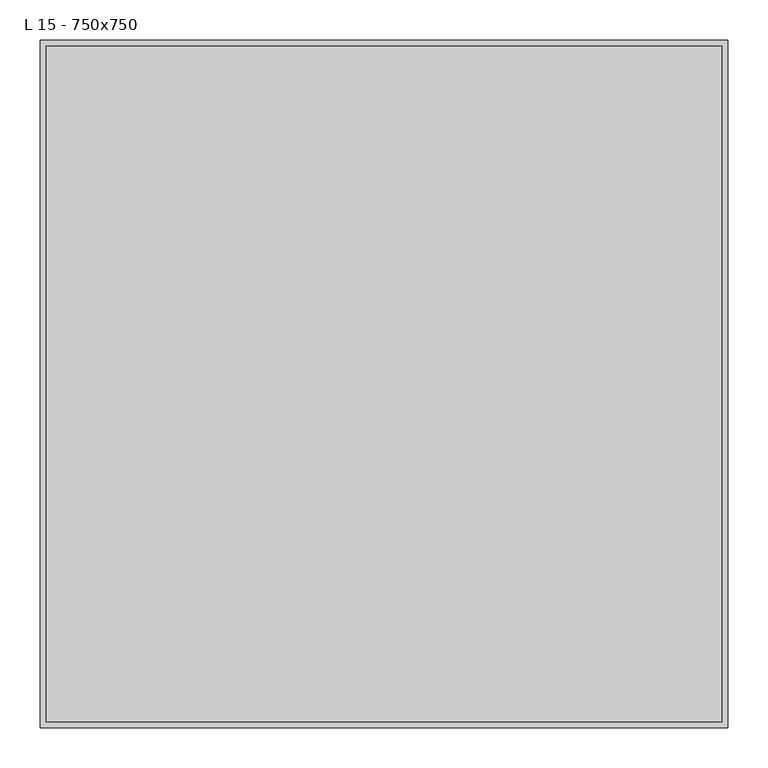
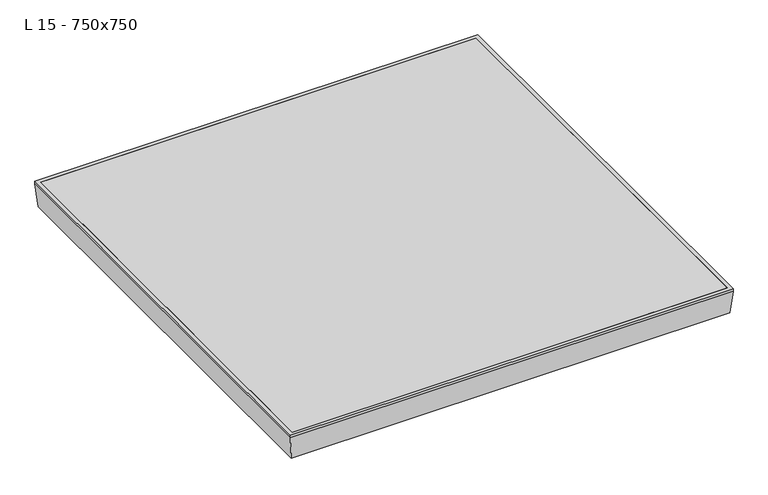
"""IFC4 building model written with IfcOpenShell, lengths in millimetres: proxy geometry, L 15 - 750x750."""

from ifc_helpers import new_model, si_unit, frame, origin, place, context, project, spatial, polyline, outline, extrude, faceted_brep, source, transform, mapped, element, save


def l_15_750x750_7d29b803(model_context):
    return source(origin(), model_context, "Body", "SolidModel", [
        extrude(outline(polyline([(375.0, 375.0), (375.0, -375.0), (-375.0, -375.0), (-375.0, 375.0), (375.0, 375.0)])), frame((0.0, 0.0, -50.0), z_axis=(0.0, 0.0, 1.0), x_axis=(1.0, 0.0, 0.0)), (0.0, 0.0, 1.0), 2.0),
        extrude(outline(polyline([(417.9, 417.9), (417.9, -417.9), (-417.9, -417.9), (-417.9, 417.9), (417.9, 417.9)])), frame((0.0, 0.0, -5.0), z_axis=(0.0, 0.0, 1.0), x_axis=(1.0, 0.0, 0.0)), (0.0, 0.0, 1.0), 5.0),
        faceted_brep([(-375.0, 375.0, -50.0), (-375.0, 375.0, -48.0), (-375.0, -375.0, -48.0), (-375.0, -375.0, -50.0), (375.0, -375.0, -48.0), (375.0, -375.0, -50.0), (375.0, 375.0, -48.0), (375.0, 375.0, -50.0), (-425.0, -425.0, 0.0), (425.0, -425.0, 0.0), (425.0, 425.0, 0.0), (-425.0, 425.0, 0.0), (-417.9, 417.9, 0.0), (417.9, 417.9, 0.0), (417.9, -417.9, 0.0), (-417.9, -417.9, 0.0), (-425.0, 425.0, -5.0), (-421.0630101, 421.0630101, -50.0), (-421.0630101, -421.0630101, -50.0), (-425.0, -425.0, -5.0), (-417.9, 417.9, -2.0), (-417.9, -417.9, -2.0), (-423.0, 423.0, -4.9126781), (-423.0, 423.0, -2.0), (-423.0, -423.0, -2.0), (-423.0, -423.0, -4.9126781), (-419.2303478, 419.2303478, -48.0), (-419.2303478, -419.2303478, -48.0), (421.0630101, -421.0630101, -50.0), (425.0, -425.0, -5.0), (417.9, -417.9, -2.0), (423.0, -423.0, -2.0), (423.0, -423.0, -4.9126781), (419.2303478, -419.2303478, -48.0), (421.0630101, 421.0630101, -50.0), (425.0, 425.0, -5.0), (417.9, 417.9, -2.0), (423.0, 423.0, -2.0), (423.0, 423.0, -4.9126781), (419.2303478, 419.2303478, -48.0)], [[[0, 1, 2, 3]], [[3, 2, 4, 5]], [[5, 4, 6, 7]], [[8, 9, 10, 11], [12, 13, 14, 15]], [[7, 6, 1, 0]], [[16, 17, 18, 19]], [[11, 16, 19, 8]], [[20, 12, 15, 21]], [[22, 23, 24, 25]], [[26, 22, 25, 27]], [[19, 18, 28, 29]], [[8, 19, 29, 9]], [[21, 15, 14, 30]], [[25, 24, 31, 32]], [[27, 25, 32, 33]], [[29, 28, 34, 35]], [[9, 29, 35, 10]], [[30, 14, 13, 36]], [[32, 31, 37, 38]], [[33, 32, 38, 39]], [[17, 34, 28, 18], [3, 5, 7, 0]], [[35, 34, 17, 16]], [[10, 35, 16, 11]], [[36, 13, 12, 20]], [[23, 37, 31, 24], [21, 30, 36, 20]], [[38, 37, 23, 22]], [[39, 38, 22, 26]], [[27, 33, 39, 26], [1, 6, 4, 2]]]),
    ])


if __name__ == "__main__":
    model = new_model("IFC4")
    model_context = context("Model", 3, world=origin())
    ifc_project = project(units=[si_unit("LENGTHUNIT", "METRE", prefix="MILLI")], contexts=[model_context])
    site = spatial("IfcSite", under=ifc_project)
    building = spatial("IfcBuilding", under=site)
    placement = place(None, origin())
    l_15_750x750_shape = l_15_750x750_7d29b803(model_context)
    element("IfcBuildingElementProxy", 1, Name="L 15 - 750x750", ObjectType="L 15 - 750x750", at=placement, inside=building, context=model_context, shape_type="MappedRepresentation", body=[
        mapped(l_15_750x750_shape, transform((0.0, 0.0, 0.0), x_axis=(1.0, 0.0, 0.0), y_axis=(0.0, 1.0, 0.0), z_axis=(0.0, 0.0, 1.0))),
    ])
    save(model, "model.ifc")
